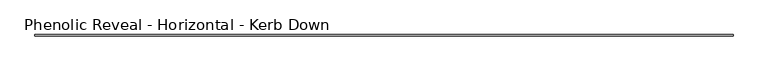
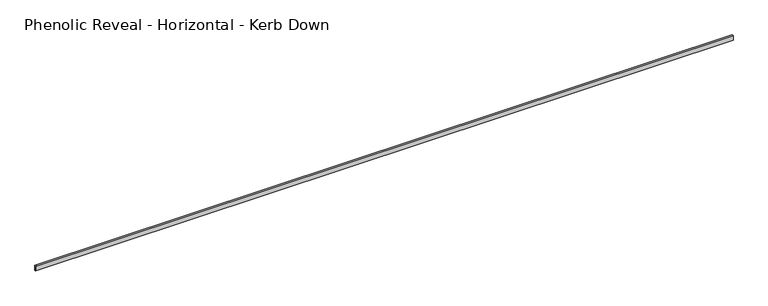
"""IFC4 building model written with IfcOpenShell, lengths in millimetres: proxy geometry, Phenolic Reveal - Horizontal - Kerb Down."""

import ifcopenshell
import ifcopenshell.guid

model = None  # the IFC model being written
_history = None  # IfcOwnerHistory: only IFC2X3 demands one
_inside = {}  # id of a spatial element -> (the spatial element, [elements in it])
_under = {}  # id of a project, library or spatial element -> (it, [spatial elements below it])
_declared = {}  # id of a project -> (the project, [libraries it declares])
_typed = {}  # id of a type object -> (the type object, [elements of that type])
_made_of = {}  # id of a material, layer set ... -> (it, [elements and type objects made of it])


def new_model(schema):
    """Start an empty IFC model of exactly this schema.

    Asked for "IFC4X3", IfcOpenShell would pick the latest addendum, in which some entities
    have other attributes; the version numbers below select the first issue.
    IFC2X3 requires an IfcOwnerHistory on every rooted entity: one is made here for all.
    """
    global model, _history
    if schema == "IFC4X3":
        model = ifcopenshell.file(schema_version=(4, 3, 0, 0))
    else:
        model = ifcopenshell.file(schema=schema)
    _inside.clear()
    _under.clear()
    _declared.clear()
    _typed.clear()
    _made_of.clear()
    _history = None
    if model.schema == "IFC2X3":
        org = make("IfcOrganization", Name="unknown")
        user = make(
            "IfcPersonAndOrganization",
            ThePerson=make("IfcPerson", FamilyName="unknown"),
            TheOrganization=org,
        )
        app = make(
            "IfcApplication",
            ApplicationDeveloper=org,
            Version="unknown",
            ApplicationFullName="unknown",
            ApplicationIdentifier="unknown",
        )
        _history = make(
            "IfcOwnerHistory",
            OwningUser=user,
            OwningApplication=app,
            ChangeAction="ADDED",
            CreationDate=0,
        )
    return model


def make(cls, **values):
    """One entity of the class cls with the attributes given. An attribute that is None is left unset."""
    return model.create_entity(
        cls, **{name: value for name, value in values.items() if value is not None}
    )


def rooted(cls, **values):
    """An entity with a GlobalId (a new one), such as an element, a storey or a relation."""
    return make(cls, GlobalId=ifcopenshell.guid.new(), OwnerHistory=_history, **values)


def si_unit(unit_type, name, prefix=None):
    """IfcSIUnit, for example si_unit("LENGTHUNIT", "METRE", prefix="MILLI")."""
    return make("IfcSIUnit", UnitType=unit_type, Prefix=prefix, Name=name)


def assignment(units):
    """IfcUnitAssignment: the units of a project."""
    return None if units is None else make("IfcUnitAssignment", Units=units)


def point(xyz):
    """IfcCartesianPoint."""
    return None if xyz is None else make("IfcCartesianPoint", Coordinates=xyz)


def direction(xyz):
    """IfcDirection."""
    return None if xyz is None else make("IfcDirection", DirectionRatios=xyz)


def frame(location, z_axis=None, x_axis=None):
    """IfcAxis2Placement3D, a coordinate frame: its origin and axes. An axis left out is left unset."""
    return make(
        "IfcAxis2Placement3D",
        Location=point(location),
        Axis=direction(z_axis),
        RefDirection=direction(x_axis),
    )


def origin():
    """The frame at (0, 0, 0) with its axes left unset."""
    return frame((0.0, 0.0, 0.0))


def place(relative_to, where):
    """IfcLocalPlacement: puts the frame where relative to a parent placement (None: the world)."""
    return make(
        "IfcLocalPlacement", PlacementRelTo=relative_to, RelativePlacement=where
    )


def context(
    kind, dimensions, precision=None, world=None, true_north=None, identifier=None
):
    """IfcGeometricRepresentationContext, for example the 3D "Model" context."""
    return make(
        "IfcGeometricRepresentationContext",
        ContextIdentifier=identifier,
        ContextType=kind,
        CoordinateSpaceDimension=dimensions,
        Precision=precision,
        WorldCoordinateSystem=world,
        TrueNorth=true_north,
    )


def project(units=None, contexts=None):
    """IfcProject with its units and contexts."""
    return rooted(
        "IfcProject",
        Name="project",
        RepresentationContexts=contexts,
        UnitsInContext=assignment(units),
    )


def spatial(cls, under=None, at=None, **own):
    """A site, building, storey or space (cls), placed at a placement, below another one or the project."""
    s = rooted(cls, ObjectPlacement=at, **own)
    if under is not None:
        _under.setdefault(under.id(), (under, []))[1].append(s)
    return s


def faces_of(points, faces, orient=None, outer=None):
    """IfcFace entities. A face is a list of loops; a loop is a list of indices into points, from 0.

    orient and outer hold one flag for each loop. By default every Orientation is true, the
    first loop of a face is its IfcFaceOuterBound and the others are IfcFaceBound.
    """
    made = []
    for i, loops in enumerate(faces):
        bounds = []
        for j, loop in enumerate(loops):
            is_outer = j == 0 if outer is None else outer[i][j]
            bounds.append(
                make(
                    "IfcFaceOuterBound" if is_outer else "IfcFaceBound",
                    Bound=make("IfcPolyLoop", Polygon=[points[k] for k in loop]),
                    Orientation=True if orient is None else orient[i][j],
                )
            )
        made.append(make("IfcFace", Bounds=bounds))
    return made


def faceted_brep(points, faces, orient=None, outer=None, voids=None):
    """IfcFacetedBrep: a solid bounded by flat faces; with voids (closed shells), ...WithVoids."""
    shared = [point(p) for p in points]
    hull = make("IfcClosedShell", CfsFaces=faces_of(shared, faces, orient, outer))
    if voids is None:
        return make("IfcFacetedBrep", Outer=hull)
    return make(
        "IfcFacetedBrepWithVoids",
        Outer=hull,
        Voids=[
            make(cls, CfsFaces=faces_of(shared, fs, o, b)) for cls, fs, o, b in voids
        ],
    )


def shape(context_of_items, identifier, shape_type, items):
    """IfcShapeRepresentation: the items that make up one representation, for example the "Body"."""
    return make(
        "IfcShapeRepresentation",
        ContextOfItems=context_of_items,
        RepresentationIdentifier=identifier,
        RepresentationType=shape_type,
        Items=items,
    )


def source(mapping_origin, context_of_items, identifier, shape_type, items):
    """IfcRepresentationMap: a shape defined once, which mapped items show again and again."""
    return make(
        "IfcRepresentationMap",
        MappingOrigin=mapping_origin,
        MappedRepresentation=shape(context_of_items, identifier, shape_type, items),
    )


def transform(
    local_origin,
    x_axis=None,
    y_axis=None,
    z_axis=None,
    scale=None,
    scale2=None,
    scale3=None,
    uniform=True,
):
    """IfcCartesianTransformationOperator3D, or its non-uniform kind. x_axis, y_axis, z_axis: its Axis1, 2, 3."""
    if uniform:
        return make(
            "IfcCartesianTransformationOperator3D",
            Axis1=direction(x_axis),
            Axis2=direction(y_axis),
            LocalOrigin=point(local_origin),
            Scale=scale,
            Axis3=direction(z_axis),
        )
    return make(
        "IfcCartesianTransformationOperator3DnonUniform",
        Axis1=direction(x_axis),
        Axis2=direction(y_axis),
        LocalOrigin=point(local_origin),
        Scale=scale,
        Axis3=direction(z_axis),
        Scale2=scale2,
        Scale3=scale3,
    )


def mapped(mapping_source, mapping_target):
    """IfcMappedItem: shows the shape of a source again, moved by a transform."""
    return make(
        "IfcMappedItem", MappingSource=mapping_source, MappingTarget=mapping_target
    )


def made_of(thing, what):
    """Note that an element or type object is made of a material, layer set ...; save() writes the relation."""
    if what is not None:
        _made_of.setdefault(what.id(), (what, []))[1].append(thing)
    return thing


def element(
    cls,
    number,
    at=None,
    inside=None,
    cuts=None,
    type_object=None,
    material=None,
    context=None,
    identifier="Body",
    shape_type=None,
    held_by="IfcProductDefinitionShape",
    body=None,
    shapes=None,
    **own,
):
    """One element of the class cls, such as IfcWall. Its Tag is "e" and its number.

    at: its placement. inside: the storey or other place that contains it. cuts: it is an
    opening in that element (IfcRelVoidsElement). A single representation is given by context,
    identifier, shape_type and body (its items); several are given by shapes. held_by: the class
    of the entity that holds the representations. save() writes the other relations.
    """
    e = rooted(cls, Tag="e%d" % number, ObjectPlacement=at, **own)
    if body is not None:
        shapes = [shape(context, identifier, shape_type, body)]
    if shapes is not None:
        e.Representation = make(held_by, Representations=shapes)
    if inside is not None:
        _inside.setdefault(inside.id(), (inside, []))[1].append(e)
    if cuts is not None:
        rooted(
            "IfcRelVoidsElement", RelatingBuildingElement=cuts, RelatedOpeningElement=e
        )
    if type_object is not None:
        _typed.setdefault(type_object.id(), (type_object, []))[1].append(e)
    return made_of(e, material)


def aggregate(whole, parts):
    """IfcRelAggregates: a whole, such as a stair, and the parts it consists of."""
    return rooted("IfcRelAggregates", RelatingObject=whole, RelatedObjects=parts)


def save(model, path):
    """Write the relations noted so far, then the file.

    IfcRelAggregates (storeys below a building ...), IfcRelContainedInSpatialStructure (elements
    in a storey), IfcRelDefinesByType, IfcRelAssociatesMaterial and IfcRelDeclares: one each for
    every whole, place, type object, material and project.
    """
    for whole, parts in _under.values():
        aggregate(whole, parts)
    for where, things in _inside.values():
        rooted(
            "IfcRelContainedInSpatialStructure",
            RelatedElements=things,
            RelatingStructure=where,
        )
    for kind, things in _typed.values():
        rooted("IfcRelDefinesByType", RelatedObjects=things, RelatingType=kind)
    for what, things in _made_of.values():
        rooted("IfcRelAssociatesMaterial", RelatedObjects=things, RelatingMaterial=what)
    for by, libraries in _declared.values():
        rooted("IfcRelDeclares", RelatingContext=by, RelatedDefinitions=libraries)
    model.write(path)


def phenolic_reveal_horizontal_kerb_down_65adcdfc(model_context):
    return source(origin(), model_context, "Body", "Brep", [
        faceted_brep([(5263.5546875, 9.525, 0.0), (5263.5546875, 9.525, 38.1), (5263.5546875, 6.0765851, 38.1), (5263.5546875, 6.0765851, 0.0), (5263.5546875, 0.0, 38.1), (5263.5546875, 0.0, 0.0), (5263.5546875, 3.3757545, 0.0), (5263.5546875, 3.3757545, 38.1), (0.0, 9.525, 0.0), (0.0, 6.0765851, 0.0), (0.0, 6.0765851, 38.1), (0.0, 9.525, 38.1), (0.0, 3.3757545, 38.1), (0.0, 3.3757545, 0.0), (0.0, 0.0, 0.0), (0.0, 0.0, 38.1), (11.1125, 6.0765851, 38.1), (11.1125, 3.3757545, 38.1), (5252.4421875, 3.3757545, 38.1), (5252.4421875, 6.0765851, 38.1), (11.1125, 3.3757545, 10.8408985), (5252.4421875, 3.3757545, 10.8408985), (11.1125, 6.0765851, 10.8408985), (5252.4421875, 6.0765851, 10.8408985)], [[[0, 1, 2, 3]], [[4, 5, 6, 7]], [[8, 9, 10, 11]], [[12, 13, 14, 15]], [[1, 0, 8, 11]], [[1, 11, 10, 16, 17, 12, 15, 4, 7, 18, 19, 2]], [[5, 4, 15, 14]], [[13, 6, 5, 14]], [[12, 17, 20, 21, 18, 7, 6, 13]], [[21, 20, 22, 23]], [[2, 19, 23, 22, 16, 10, 9, 3]], [[0, 3, 9, 8]], [[18, 21, 23, 19]], [[20, 17, 16, 22]]]),
    ])


if __name__ == "__main__":
    model = new_model("IFC4")
    model_context = context("Model", 3, world=origin())
    ifc_project = project(units=[si_unit("LENGTHUNIT", "METRE", prefix="MILLI")], contexts=[model_context])
    site = spatial("IfcSite", under=ifc_project)
    building = spatial("IfcBuilding", under=site)
    placement = place(None, origin())
    phenolic_reveal_horizontal_kerb_down_shape = phenolic_reveal_horizontal_kerb_down_65adcdfc(model_context)
    element("IfcBuildingElementProxy", 1, Name="Phenolic Reveal - Horizontal - Kerb Down", ObjectType="Phenolic Reveal - Horizontal - Kerb Down", at=placement, inside=building, context=model_context, shape_type="MappedRepresentation", body=[
        mapped(phenolic_reveal_horizontal_kerb_down_shape, transform((0.0, 0.0, 0.0), x_axis=(1.0, 0.0, 0.0), y_axis=(0.0, 1.0, 0.0), z_axis=(0.0, 0.0, 1.0))),
    ])
    save(model, "model.ifc")
